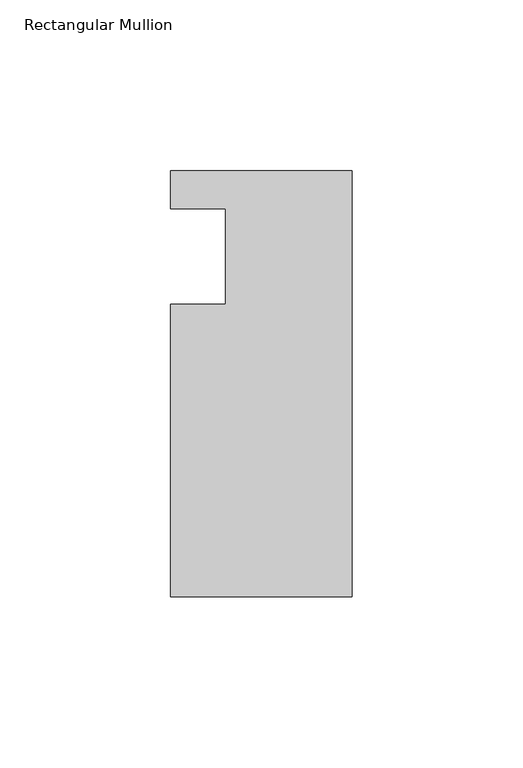
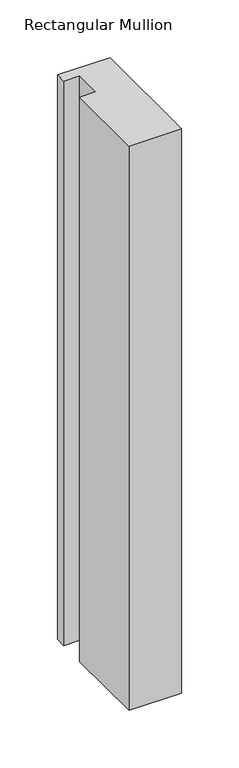
"""IFC4 building model written with IfcOpenShell, lengths in millimetres: member geometry, Rectangular Mullion."""

from ifc_helpers import new_model, si_unit, frame, origin, place, context, project, spatial, polyline, outline, extrude, source, transform, mapped, element, save


def rectangular_mullion_798b65da(model_context):
    return source(origin(), model_context, "Body", "SweptSolid", [
        extrude(outline(polyline([(-37.0, 13.9999453), (-53.0, 13.9999453), (-53.0, 24.9999453), (0.0, 24.9999453), (0.0, -99.5000547), (-53.0, -99.5000547), (-53.0, -14.0000547), (-37.0, -14.0000547), (-37.0, 13.9999453)])), frame((0.0, 0.0, -599.0000086), z_axis=(0.0, 0.0, 1.0), x_axis=(1.0, 0.0, 0.0)), (0.0, 0.0, 1.0), 599.0000086),
    ])


if __name__ == "__main__":
    model = new_model("IFC4")
    model_context = context("Model", 3, world=origin())
    ifc_project = project(units=[si_unit("LENGTHUNIT", "METRE", prefix="MILLI")], contexts=[model_context])
    site = spatial("IfcSite", under=ifc_project)
    building = spatial("IfcBuilding", under=site)
    placement = place(None, origin())
    rectangular_mullion_shape = rectangular_mullion_798b65da(model_context)
    element("IfcMember", 1, ObjectType="Rectangular Mullion", at=placement, inside=building, context=model_context, shape_type="MappedRepresentation", body=[
        mapped(rectangular_mullion_shape, transform((0.0, 0.0, 0.0), x_axis=(1.0, 0.0, 0.0), y_axis=(0.0, 1.0, 0.0), z_axis=(0.0, 0.0, 1.0))),
    ])
    save(model, "model.ifc")
